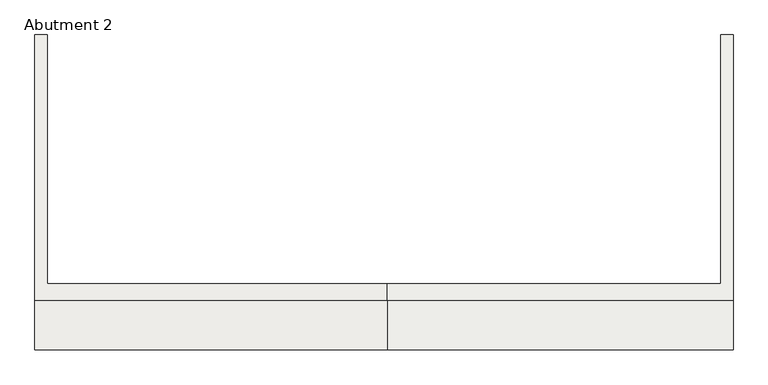
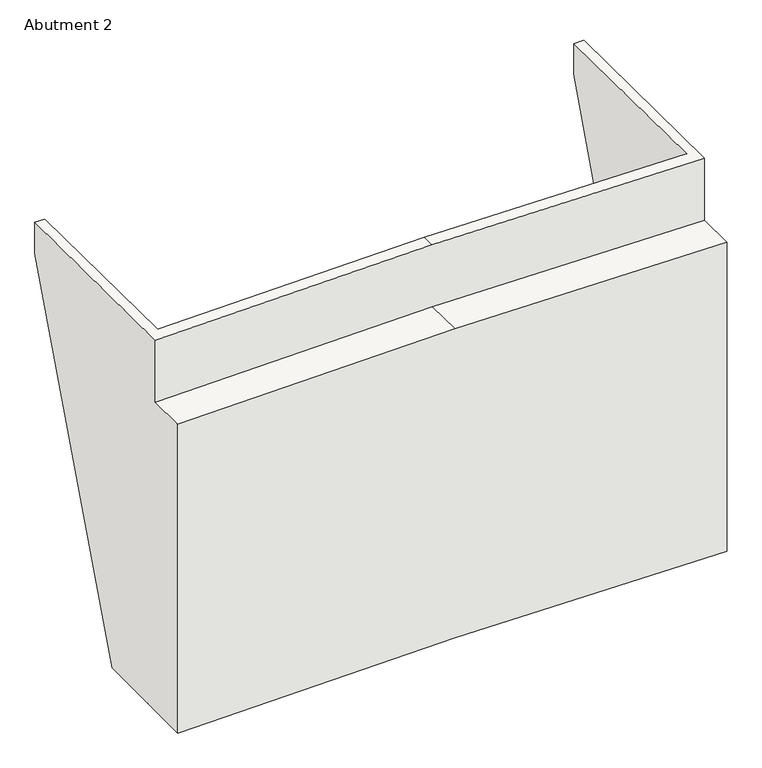
"""IFC4 building model written with IfcOpenShell, lengths in millimetres: slab geometry, Abutment 2."""

from ifc_helpers import new_model, si_unit, origin, place, context, project, spatial, faceted_brep, source, transform, mapped, element, save


def abutment_2_f4d85f15(model_context):
    return source(origin(), model_context, "Body", "Brep", [
        faceted_brep([(-8500.0, 2895.8011169, -10120.0), (-8500.0, 7000.0, 835.2327908), (-8200.0, 7000.0, 835.2327908), (-8200.0, 2895.8011169, -10120.0), (-8200.0, 7000.0, 1839.4680849), (-8200.0, 1000.0, 1896.4373435), (-8200.0, 1000.0, -10115.7647059), (-8200.0, 1000.0, -10120.0), (-8500.0, 7000.0, 1835.2327908), (-8500.0, 1000.0, -10120.0), (-8500.0, -600.0, -10120.0), (-8500.0, -600.0, -108.6061483), (-8500.0, 600.0, -120.0), (-8500.0, 600.0, 1896.0), (8350.0, 7000.0, 837.2327908), (8350.0, 3000.0, -10118.0), (8050.0, 3000.0, -10118.0), (8050.0, 7000.0, 837.2327908), (8050.0, 7000.0, 1841.4723117), (8350.0, 7000.0, 1837.2327908), (8350.0, 1000.0, -10118.0), (8050.0, 1000.0, -10118.0), (8050.0, 1000.0, 1898.4415704), (0.0, 1000.0, 2012.2020494), (0.0, 600.0, 2016.0), (8350.0, 600.0, 1898.0), (8350.0, 600.0, -118.0), (8350.0, -600.0, -106.6061483), (8350.0, -600.0, -10118.0), (8050.0, 1000.0, -10113.760479), (0.0, 1000.0, -10000.0), (0.0, -600.0, -10000.0), (0.0, -600.0, 11.3938517), (0.0, 600.0, 0.0)], [[[0, 1, 2, 3]], [[3, 2, 4, 5, 6, 7]], [[2, 1, 8, 4]], [[1, 0, 9, 10, 11, 12, 13, 8]], [[6, 9, 7]], [[0, 3, 7, 9]], [[14, 15, 16, 17]], [[14, 17, 18, 19]], [[16, 15, 20, 21]], [[22, 23, 24, 25, 19, 18]], [[15, 14, 19, 25, 26, 27, 28, 20]], [[20, 29, 21]], [[17, 16, 21, 29, 22, 18]], [[30, 31, 10, 9, 6]], [[32, 33, 12, 11]], [[13, 24, 23, 5, 4, 8]], [[31, 30, 29, 20, 28]], [[6, 5, 23, 22, 29, 30]], [[33, 26, 25, 24, 13, 12]], [[33, 32, 27, 26]], [[31, 28, 27, 32, 11, 10]]]),
    ])


if __name__ == "__main__":
    model = new_model("IFC4")
    model_context = context("Model", 3, world=origin())
    ifc_project = project(units=[si_unit("LENGTHUNIT", "METRE", prefix="MILLI")], contexts=[model_context])
    site = spatial("IfcSite", under=ifc_project)
    building = spatial("IfcBuilding", under=site)
    placement = place(None, origin())
    abutment_2_shape = abutment_2_f4d85f15(model_context)
    element("IfcSlab", 1, ObjectType="Abutment 2", at=placement, inside=building, context=model_context, shape_type="MappedRepresentation", body=[
        mapped(abutment_2_shape, transform((0.0, 0.0, 0.0), x_axis=(1.0, 0.0, 0.0), y_axis=(0.0, 1.0, 0.0), z_axis=(0.0, 0.0, 1.0))),
    ])
    save(model, "model.ifc")
